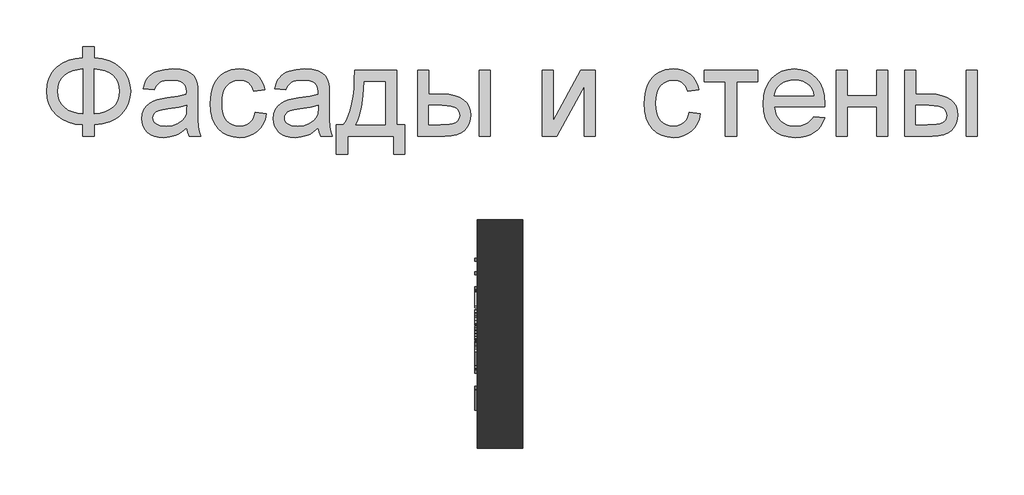
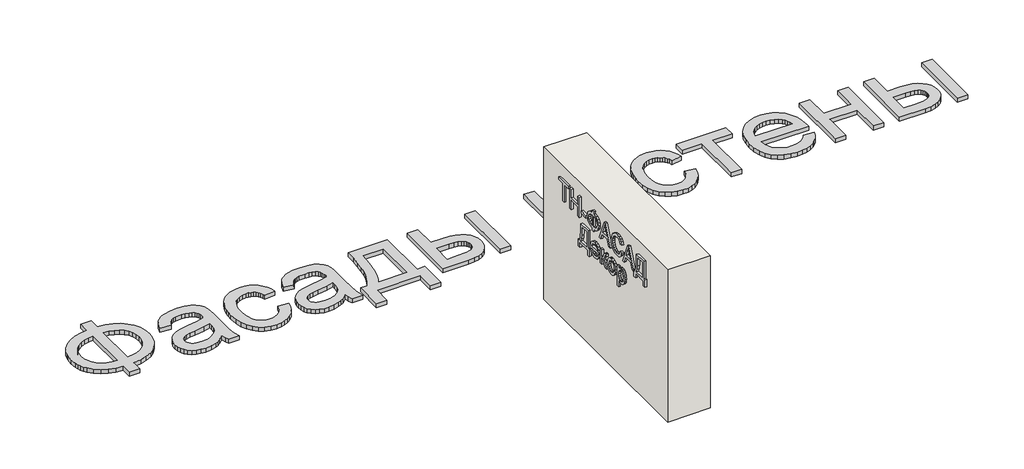
# One storey: 2 proxies, 1 wall.
"""IFC4 building model written with IfcOpenShell, lengths in millimetres."""

from ifc_helpers import new_model, si_unit, frame, origin, origin_with_axes, place, context, project, spatial, polyline, outline, extrude, element, save

model = new_model("IFC4")

# Units and contexts
model_context = context("Model", 3, world=origin())
ifc_project = project(units=[si_unit("LENGTHUNIT", "METRE", prefix="MILLI")], contexts=[model_context])

# Site, building, storey
site = spatial("IfcSite", under=ifc_project)
building = spatial("IfcBuilding", under=site)
storey = spatial("IfcBuildingStorey", under=building, Elevation=0.0)

# Proxies
placement = place(None, origin())
element("IfcBuildingElementProxy", 1, Name="Generic Models", at=placement, inside=storey, context=model_context, shape_type="SweptSolid", body=[
    extrude(outline(polyline([(-1939.8736325, -20885.7211043), (-1939.8736325, -20787.7817103), (-1841.9342386, -20787.7817103), (-1841.9342386, -20885.7211043), (-1772.0723186, -20894.3529698), (-1709.9695132, -20912.2144755), (-1655.6258224, -20939.3056213), (-1609.0412461, -20975.6264073), (-1571.6743546, -21019.0607113), (-1544.9837177, -21067.4924111), (-1528.9693356, -21120.9215067), (-1523.6312083, -21179.3479982), (-1528.8019587, -21236.6028514), (-1544.3142102, -21289.3863505), (-1570.1679625, -21337.6984954), (-1606.3632158, -21381.5392861), (-1628.1416397, -21401.1761824), (-1652.1109076, -21418.4817577), (-1706.6219753, -21446.0989452), (-1769.896419, -21464.3908486), (-1841.9342386, -21473.3574679), (-1841.9342386, -21571.2968619), (-1939.8736325, -21571.2968619), (-1939.8736325, -21473.3574679), (-2005.3060425, -21466.0586398), (-2065.0237272, -21449.518216), (-2119.0266865, -21423.7361966), (-2167.3149204, -21388.7125816), (-2207.0669327, -21345.8939854), (-2222.6837947, -21322.10405), (-2235.4612272, -21296.7270228), (-2245.3992303, -21269.7629041), (-2252.4978039, -21241.2116938), (-2258.1766628, -21179.3479982), (-2252.5157371, -21117.2033486), (-2245.4395801, -21088.5878775), (-2235.5329602, -21061.6103088), (-2222.7958774, -21036.2706426), (-2207.2283318, -21012.5688789), (-2188.8303234, -20990.5050176), (-2167.6018522, -20970.0790588), (-2119.4032845, -20935.3961753), (-2065.382392, -20909.775555), (-2005.5391746, -20893.217198), (-1939.8736325, -20885.7211043)]), holes=[polyline([(-1841.9342386, -20983.6604982), (-1841.9342386, -21375.418074), (-1793.3949393, -21370.2234125), (-1750.3073446, -21359.2303372), (-1712.6714545, -21342.4388481), (-1680.4872689, -21319.8489452), (-1654.7112272, -21291.9627591), (-1636.2997689, -21259.2824206), (-1625.2528939, -21221.8079296), (-1621.5706022, -21179.5392861), (-1625.1871387, -21137.922217), (-1636.036748, -21100.872146), (-1654.1194303, -21068.389073), (-1679.4351855, -21040.4729982), (-1711.2905951, -21017.6977852), (-1748.9922405, -21000.6372975), (-1792.5401216, -20989.2915352), (-1841.9342386, -20983.6604982)]), polyline([(-1939.8736325, -20983.6604982), (-1986.781007, -20988.5861611), (-2028.989873, -20999.3461043), (-2066.5002305, -21015.9403278), (-2099.3120795, -21038.3688316), (-2125.9668498, -21066.2012179), (-2145.0059715, -21099.0070891), (-2156.4294445, -21136.7864452), (-2160.2372689, -21179.5392861), (-2156.4772665, -21221.9035735), (-2145.1972594, -21259.4737085), (-2126.3972476, -21292.2496909), (-2100.077231, -21320.231521), (-2067.5044919, -21342.8692459), (-2029.9463124, -21359.612913), (-1987.4026926, -21370.4625224), (-1939.8736325, -21375.418074), (-1939.8736325, -20983.6604982)])]), origin_with_axes(), (0.0, 0.0, 1.0), 40.0),
    extrude(outline(polyline([(-1033.9342386, -21497.8423164), (-1080.7280359, -21537.964949), (-1104.6449985, -21552.8256261), (-1128.9086704, -21564.2192103), (-1179.5760473, -21578.7092672), (-1233.8300719, -21583.5392861), (-1277.4377305, -21580.6341014), (-1315.677373, -21571.9185475), (-1348.5489995, -21557.3926242), (-1376.0526098, -21537.0563316), (-1397.7697618, -21512.2008628), (-1413.2820132, -21484.1174111), (-1422.589364, -21452.8059764), (-1425.6918143, -21418.2665588), (-1421.0052613, -21377.6657066), (-1406.9456022, -21340.7949679), (-1385.2583389, -21309.2324679), (-1357.6889734, -21284.5563316), (-1325.2895889, -21265.9057634), (-1289.1122689, -21252.4199679), (-1204.3717386, -21237.6908013), (-1104.232534, -21222.1964831), (-1034.5081022, -21204.0241346), (-1033.9342386, -21182.2173164), (-1035.619963, -21158.4737085), (-1040.6771363, -21138.5080361), (-1049.1057585, -21122.3202994), (-1060.9058295, -21109.9104982), (-1081.3018996, -21097.5246081), (-1106.1454128, -21088.6775437), (-1135.4363693, -21083.369305), (-1169.1747689, -21081.5998922), (-1227.5175719, -21086.3103562), (-1250.0895416, -21092.1984362), (-1268.2618901, -21100.4417482), (-1283.1943001, -21111.6858888), (-1296.0464545, -21126.5764547), (-1306.8183532, -21145.1134457), (-1315.5099961, -21167.2968619), (-1413.4493901, -21155.0544376), (-1396.4486799, -21101.4938316), (-1384.810008, -21079.0175058), (-1371.0791249, -21059.4104982), (-1354.6642338, -21042.2782776), (-1334.9735378, -21027.2263126), (-1312.0070369, -21014.2546033), (-1285.764731, -21003.3631497), (-1225.5807821, -20988.5861611), (-1156.5497689, -20983.6604982), (-1090.3402518, -20988.0122975), (-1037.8556401, -21001.0676952), (-998.2829602, -21020.6986138), (-970.8092386, -21044.7769755), (-952.5890681, -21074.5461516), (-940.7770416, -21111.2495134), (-937.1903939, -21145.1074679), (-935.9948446, -21196.9464831), (-935.9948446, -21318.7968619), (-934.7514734, -21424.9377236), (-931.0213598, -21488.94743), (-923.6567764, -21531.0068524), (-911.5099961, -21571.2968619), (-1009.4493901, -21571.2968619), (-1025.1349961, -21537.2476194), (-1033.9342386, -21497.8423164)]), holes=[polyline([(-1033.9342386, -21301.9635285), (-1099.7372689, -21318.2708202), (-1191.9380264, -21331.9957255), (-1242.7488693, -21339.5037747), (-1276.2003371, -21347.8726194), (-1298.1267102, -21358.7282066), (-1314.3622689, -21373.6964831), (-1324.4048825, -21391.6297217), (-1327.7524204, -21411.3801952), (-1325.9292078, -21426.599537), (-1320.45957, -21440.5037747), (-1311.343507, -21453.0929083), (-1298.5810189, -21464.3669376), (-1282.2916604, -21473.6563552), (-1262.5949867, -21480.2916535), (-1212.9796931, -21485.5998922), (-1160.3755264, -21479.7417009), (-1136.3688977, -21472.4189618), (-1113.8925719, -21462.167127), (-1076.2088598, -21436.2715304), (-1050.0024204, -21405.450271), (-1038.3816818, -21373.6964831), (-1034.5081022, -21329.700271), (-1033.9342386, -21301.9635285)])]), origin_with_axes(), (0.0, 0.0, 1.0), 40.0),
    extrude(outline(polyline([(-434.0554507, -21363.1756497), (-336.1160568, -21375.418074), (-346.7684005, -21421.6320299), (-363.4224014, -21462.5257918), (-386.0780596, -21498.0993595), (-414.7353749, -21528.3527331), (-448.1868427, -21552.49685), (-485.2249583, -21569.7426478), (-525.8497215, -21580.0901265), (-570.0611325, -21583.5392861), (-624.9906425, -21578.7272004), (-674.2412935, -21564.2909433), (-717.8130856, -21540.2305148), (-755.7060189, -21506.5459149), (-786.3778347, -21463.8707847), (-808.2862746, -21412.8387653), (-821.4313385, -21353.4498567), (-825.8130264, -21285.7040588), (-823.9419919, -21240.6736966), (-818.3288882, -21198.5485191), (-808.9737154, -21159.3285262), (-795.8764734, -21123.0137179), (-778.9474961, -21090.3333794), (-758.0971174, -21062.0167956), (-733.3253371, -21038.0639665), (-704.6321552, -21018.4748922), (-673.3147428, -21003.2435948), (-640.6702708, -20992.3640967), (-606.698739, -20985.8363978), (-571.4001477, -20983.6604982), (-527.9479104, -20986.6493713), (-488.6442291, -20995.6159906), (-453.4891036, -21010.5603562), (-422.482534, -21031.4824679), (-396.150562, -21057.9041062), (-375.0192291, -21089.3470513), (-359.0885354, -21125.8113031), (-348.358481, -21167.2968619), (-446.2978749, -21179.5392861), (-453.9434123, -21156.6624513), (-464.0637367, -21136.8103562), (-476.6588479, -21119.9830006), (-491.7287461, -21106.1803846), (-508.8908555, -21095.4264192), (-527.7626003, -21087.7450153), (-548.3439805, -21083.1361729), (-570.6349961, -21081.5998922), (-603.9131093, -21084.6246317), (-633.927373, -21093.6988505), (-660.6777873, -21108.8225484), (-684.1643522, -21129.9957255), (-703.2871623, -21157.7085569), (-716.9463124, -21192.4512179), (-725.1418025, -21234.2237085), (-727.8736325, -21283.0260285), (-725.20158, -21332.5636114), (-717.1854223, -21374.8202994), (-703.8251595, -21409.7960924), (-685.1207916, -21437.4909906), (-662.1004909, -21458.5386351), (-635.7924299, -21473.5726668), (-606.1966084, -21482.5930858), (-573.3130264, -21485.5998922), (-546.8136775, -21483.7228799), (-522.5978276, -21478.0918429), (-500.6654767, -21468.7067814), (-481.0166249, -21455.5676952), (-464.2012248, -21438.5311185), (-450.7692291, -21417.4535853), (-440.7206377, -21392.3350958), (-434.0554507, -21363.1756497)])), origin_with_axes(), (0.0, 0.0, 1.0), 40.0),
    extrude(outline(polyline([(116.8536402, -21497.8423164), (70.0598429, -21537.964949), (46.1428803, -21552.8256261), (21.8792084, -21564.2192103), (-28.7881685, -21578.7092672), (-83.0421931, -21583.5392861), (-126.6498517, -21580.6341014), (-164.8894943, -21571.9185475), (-197.7611207, -21557.3926242), (-225.264731, -21537.0563316), (-246.981883, -21512.2008628), (-262.4941344, -21484.1174111), (-271.8014853, -21452.8059764), (-274.9039355, -21418.2665588), (-270.2173825, -21377.6657066), (-256.1577234, -21340.7949679), (-234.4704602, -21309.2324679), (-206.9010946, -21284.5563316), (-174.5017102, -21265.9057634), (-138.3243901, -21252.4199679), (-53.5838598, -21237.6908013), (46.5553448, -21222.1964831), (116.2797766, -21204.0241346), (116.8536402, -21182.2173164), (115.1679158, -21158.4737085), (110.1107425, -21138.5080361), (101.6821203, -21122.3202994), (89.8820493, -21109.9104982), (69.4859792, -21097.5246081), (44.642466, -21088.6775437), (15.3515095, -21083.369305), (-18.3868901, -21081.5998922), (-76.7296931, -21086.3103562), (-99.3016628, -21092.1984362), (-117.4740113, -21100.4417482), (-132.4064213, -21111.6858888), (-145.2585757, -21126.5764547), (-156.0304744, -21145.1134457), (-164.7221174, -21167.2968619), (-262.6615113, -21155.0544376), (-245.6608011, -21101.4938316), (-234.0221292, -21079.0175058), (-220.2912461, -21059.4104982), (-203.876355, -21042.2782776), (-184.185659, -21027.2263126), (-161.2191581, -21014.2546033), (-134.9768522, -21003.3631497), (-74.7929033, -20988.5861611), (-5.7618901, -20983.6604982), (60.447627, -20988.0122975), (112.9322387, -21001.0676952), (152.5049186, -21020.6986138), (179.9786402, -21044.7769755), (198.1988107, -21074.5461516), (210.0108372, -21111.2495134), (213.5974849, -21145.1074679), (214.7930342, -21196.9464831), (214.7930342, -21318.7968619), (216.0364054, -21424.9377236), (219.766519, -21488.94743), (227.1311023, -21531.0068524), (239.2778826, -21571.2968619), (141.3384887, -21571.2968619), (125.6528826, -21537.2476194), (116.8536402, -21497.8423164)]), holes=[polyline([(116.8536402, -21301.9635285), (51.0506099, -21318.2708202), (-41.1501477, -21331.9957255), (-91.9609905, -21339.5037747), (-125.4124583, -21347.8726194), (-147.3388314, -21358.7282066), (-163.5743901, -21373.6964831), (-173.6170037, -21391.6297217), (-176.9645416, -21411.3801952), (-175.141329, -21426.599537), (-169.6716912, -21440.5037747), (-160.5556282, -21453.0929083), (-147.7931401, -21464.3669376), (-131.5037817, -21473.6563552), (-111.8071079, -21480.2916535), (-62.1918143, -21485.5998922), (-9.5876477, -21479.7417009), (14.4189811, -21472.4189618), (36.8953069, -21462.167127), (74.579019, -21436.2715304), (100.7854584, -21405.450271), (112.406197, -21373.6964831), (116.2797766, -21329.700271), (116.8536402, -21301.9635285)])]), origin_with_axes(), (0.0, 0.0, 1.0), 40.0),
    extrude(outline(polyline([(435.1566705, -20995.9029225), (802.4293978, -20995.9029225), (802.4293978, -21473.3574679), (875.8839432, -21473.3574679), (875.8839432, -21730.448377), (777.9445493, -21730.448377), (777.9445493, -21571.2968619), (373.9445493, -21571.2968619), (373.9445493, -21730.448377), (276.0051554, -21730.448377), (276.0051554, -21473.3574679), (337.2172766, -21473.3574679), (361.1342392, -21436.3970631), (381.7156194, -21392.9448259), (398.9614172, -21343.0007563), (412.8716326, -21286.5648543), (423.4462657, -21223.6371199), (430.6853164, -21154.2175531), (434.5887846, -21078.306154), (435.1566705, -20995.9029225)]), holes=[polyline([(520.8536402, -21093.8423164), (512.8195493, -21213.7559054), (497.8990948, -21316.979627), (476.0922766, -21403.5134812), (462.6064811, -21440.521708), (447.3990948, -21473.3574679), (704.4900039, -21473.3574679), (704.4900039, -21093.8423164), (520.8536402, -21093.8423164)])]), origin_with_axes(), (0.0, 0.0, 1.0), 40.0),
    extrude(outline(polyline([(986.0657614, -20995.9029225), (1084.0051554, -20995.9029225), (1084.0051554, -21204.0241346), (1205.0903826, -21204.0241346), (1260.8089551, -21207.0907184), (1309.7487633, -21216.2904698), (1351.9098074, -21231.6233888), (1387.2920872, -21253.0894755), (1415.2858727, -21279.9474892), (1435.2814338, -21311.4561895), (1447.2787704, -21347.6155763), (1451.2778826, -21388.4256497), (1447.924367, -21424.8361019), (1437.8638201, -21458.5087463), (1421.096242, -21489.443583), (1397.6216326, -21517.6406119), (1366.7824399, -21541.1152212), (1327.9211118, -21557.8827994), (1281.0376483, -21567.9433462), (1226.1320493, -21571.2968619), (986.0657614, -21571.2968619), (986.0657614, -20995.9029225)]), holes=[polyline([(1084.0051554, -21473.3574679), (1184.6225796, -21473.3574679), (1262.6202122, -21468.2166062), (1291.8274802, -21461.790529), (1314.5070493, -21452.794021), (1331.495804, -21441.0716606), (1343.6306289, -21426.4680266), (1350.9115237, -21408.983119), (1353.3384887, -21388.6169376), (1351.5391871, -21372.1542245), (1346.1412823, -21356.6240399), (1337.1447742, -21342.0263836), (1324.5496629, -21328.3612558), (1305.8094286, -21316.8122501), (1278.3775512, -21308.5629603), (1242.2540308, -21303.6133865), (1197.4388675, -21301.9635285), (1084.0051554, -21301.9635285), (1084.0051554, -21473.3574679)])]), origin_with_axes(), (0.0, 0.0, 1.0), 40.0),
    extrude(outline(polyline([(1524.7324281, -20995.9029225), (1622.671822, -20995.9029225), (1622.671822, -21571.2968619), (1524.7324281, -21571.2968619), (1524.7324281, -20995.9029225)])), origin_with_axes(), (0.0, 0.0, 1.0), 40.0),
    extrude(outline(polyline([(2075.641519, -20995.9029225), (2173.5809129, -20995.9029225), (2173.5809129, -21434.7173164), (2414.2210645, -20995.9029225), (2540.8536402, -20995.9029225), (2540.8536402, -21571.2968619), (2442.9142463, -21571.2968619), (2442.9142463, -21135.1604982), (2203.8043978, -21571.2968619), (2075.641519, -21571.2968619), (2075.641519, -20995.9029225)])), origin_with_axes(), (0.0, 0.0, 1.0), 40.0),
    extrude(outline(polyline([(3361.0960645, -21363.1756497), (3459.0354584, -21375.418074), (3448.3831147, -21421.6320299), (3431.7291137, -21462.5257918), (3409.0734556, -21498.0993595), (3380.4161402, -21528.3527331), (3346.9646724, -21552.49685), (3309.9265569, -21569.7426478), (3269.3017936, -21580.0901265), (3225.0903826, -21583.5392861), (3170.1608727, -21578.7272004), (3120.9102217, -21564.2909433), (3077.3384295, -21540.2305148), (3039.4454963, -21506.5459149), (3008.7736805, -21463.8707847), (2986.8652406, -21412.8387653), (2973.7201767, -21353.4498567), (2969.3384887, -21285.7040588), (2971.2095233, -21240.6736966), (2976.822627, -21198.5485191), (2986.1777998, -21159.3285262), (2999.2750417, -21123.0137179), (3016.204019, -21090.3333794), (3037.0543978, -21062.0167956), (3061.8261781, -21038.0639665), (3090.5193599, -21018.4748922), (3121.8367723, -21003.2435948), (3154.4812444, -20992.3640967), (3188.4527761, -20985.8363978), (3223.7513675, -20983.6604982), (3267.2036047, -20986.6493713), (3306.5072861, -20995.6159906), (3341.6624115, -21010.5603562), (3372.6689811, -21031.4824679), (3399.0009532, -21057.9041062), (3420.1322861, -21089.3470513), (3436.0629797, -21125.8113031), (3446.7930342, -21167.2968619), (3348.8536402, -21179.5392861), (3341.2081028, -21156.6624513), (3331.0877785, -21136.8103562), (3318.4926672, -21119.9830006), (3303.422769, -21106.1803846), (3286.2606596, -21095.4264192), (3267.3889148, -21087.7450153), (3246.8075346, -21083.1361729), (3224.516519, -21081.5998922), (3191.2384058, -21084.6246317), (3161.2241421, -21093.6988505), (3134.4737278, -21108.8225484), (3110.9871629, -21129.9957255), (3091.8643528, -21157.7085569), (3078.2052027, -21192.4512179), (3070.0097127, -21234.2237085), (3067.2778826, -21283.0260285), (3069.9499352, -21332.5636114), (3077.9660929, -21374.8202994), (3091.3263557, -21409.7960924), (3110.0307236, -21437.4909906), (3133.0510242, -21458.5386351), (3159.3590853, -21473.5726668), (3188.9549068, -21482.5930858), (3221.8384887, -21485.5998922), (3248.3378377, -21483.7228799), (3272.5536876, -21478.0918429), (3294.4860384, -21468.7067814), (3314.1348902, -21455.5676952), (3330.9502903, -21438.5311185), (3344.3822861, -21417.4535853), (3354.4308774, -21392.3350958), (3361.0960645, -21363.1756497)])), origin_with_axes(), (0.0, 0.0, 1.0), 40.0),
    extrude(outline(polyline([(3495.7627311, -20995.9029225), (3960.9748523, -20995.9029225), (3960.9748523, -21093.8423164), (3777.3384887, -21093.8423164), (3777.3384887, -21571.2968619), (3679.3990948, -21571.2968619), (3679.3990948, -21093.8423164), (3495.7627311, -21093.8423164), (3495.7627311, -20995.9029225)])), origin_with_axes(), (0.0, 0.0, 1.0), 40.0),
    extrude(outline(polyline([(4449.5240948, -21399.9029225), (4545.5506099, -21412.1453467), (4530.827421, -21450.6061658), (4510.9514148, -21484.4999869), (4485.9225914, -21513.8268098), (4455.7409508, -21538.5866346), (4420.7173358, -21558.2534196), (4381.1625891, -21572.3011232), (4337.0767108, -21580.7297454), (4288.4597008, -21583.5392861), (4227.6899328, -21578.6913339), (4173.5435076, -21564.1474774), (4126.0204253, -21539.9077165), (4085.1206857, -21505.9720513), (4052.231126, -21463.2849656), (4028.7385834, -21412.7909433), (4014.6430578, -21354.4899845), (4009.9445493, -21288.3820891), (4014.6908798, -21220.0325389), (4028.9298713, -21159.7888126), (4052.6615237, -21107.6509102), (4085.8858372, -21063.6188316), (4126.6779773, -21028.6370607), (4173.1131099, -21003.6500816), (4225.1912349, -20988.6578941), (4282.9123523, -20983.6604982), (4338.7743907, -20988.6459386), (4389.2923239, -21003.6022596), (4434.4661521, -21028.5294613), (4474.2958751, -21063.4275437), (4506.8088367, -21107.3639783), (4530.0323807, -21159.4062369), (4543.9665072, -21219.5543192), (4548.611216, -21287.8082255), (4548.0373523, -21314.2059528), (4107.8839432, -21314.2059528), (4113.5568244, -21353.2884575), (4124.8368315, -21387.5170323), (4141.7239646, -21416.8916772), (4164.2182236, -21441.4123922), (4191.0762373, -21460.7444234), (4221.0546345, -21474.5530172), (4254.1534153, -21482.8381734), (4290.3725796, -21485.5998922), (4342.4985266, -21480.4829414), (4386.3990948, -21465.1320891), (4405.2648618, -21453.3798401), (4422.0742842, -21438.590896), (4436.8273618, -21420.7652567), (4449.5240948, -21399.9029225)]), holes=[polyline([(4107.8839432, -21216.2665588), (4450.671822, -21216.2665588), (4445.6385597, -21188.5537274), (4437.4251364, -21164.5231876), (4426.0315522, -21144.1749395), (4411.4578069, -21127.5089831), (4384.7492368, -21107.4237558), (4354.3583751, -21093.0771649), (4320.2852217, -21084.4692103), (4282.5297766, -21081.5998922), (4248.0919807, -21083.889369), (4216.5115474, -21090.7577994), (4187.7884769, -21102.2051834), (4161.922769, -21118.231521), (4140.2175725, -21138.0955716), (4123.9760361, -21161.0560948), (4113.1981596, -21187.1130906), (4107.8839432, -21216.2665588)])]), origin_with_axes(), (0.0, 0.0, 1.0), 40.0),
    extrude(outline(polyline([(4646.5506099, -20995.9029225), (4744.4900039, -20995.9029225), (4744.4900039, -21216.2665588), (5001.5809129, -21216.2665588), (5001.5809129, -20995.9029225), (5099.5203069, -20995.9029225), (5099.5203069, -21571.2968619), (5001.5809129, -21571.2968619), (5001.5809129, -21314.2059528), (4744.4900039, -21314.2059528), (4744.4900039, -21571.2968619), (4646.5506099, -21571.2968619), (4646.5506099, -20995.9029225)])), origin_with_axes(), (0.0, 0.0, 1.0), 40.0),
    extrude(outline(polyline([(5246.4293978, -20995.9029225), (5344.3687917, -20995.9029225), (5344.3687917, -21204.0241346), (5465.454019, -21204.0241346), (5521.1725914, -21207.0907184), (5570.1123997, -21216.2904698), (5612.2734437, -21231.6233888), (5647.6557236, -21253.0894755), (5675.6495091, -21279.9474892), (5695.6450701, -21311.4561895), (5707.6424068, -21347.6155763), (5711.641519, -21388.4256497), (5708.2880034, -21424.8361019), (5698.2274565, -21458.5087463), (5681.4598784, -21489.443583), (5657.985269, -21517.6406119), (5627.1460763, -21541.1152212), (5588.2847482, -21557.8827994), (5541.4012846, -21567.9433462), (5486.4956857, -21571.2968619), (5246.4293978, -21571.2968619), (5246.4293978, -20995.9029225)]), holes=[polyline([(5344.3687917, -21473.3574679), (5444.986216, -21473.3574679), (5522.9838486, -21468.2166062), (5552.1911165, -21461.790529), (5574.8706857, -21452.794021), (5591.8594404, -21441.0716606), (5603.9942652, -21426.4680266), (5611.2751601, -21408.983119), (5613.7021251, -21388.6169376), (5611.9028235, -21372.1542245), (5606.5049186, -21356.6240399), (5597.5084106, -21342.0263836), (5584.9132993, -21328.3612558), (5566.1730649, -21316.8122501), (5538.7411876, -21308.5629603), (5502.6176672, -21303.6133865), (5457.8025039, -21301.9635285), (5344.3687917, -21301.9635285), (5344.3687917, -21473.3574679)])]), origin_with_axes(), (0.0, 0.0, 1.0), 40.0),
    extrude(outline(polyline([(5785.0960645, -20995.9029225), (5883.0354584, -20995.9029225), (5883.0354584, -21571.2968619), (5785.0960645, -21571.2968619), (5785.0960645, -20995.9029225)])), origin_with_axes(), (0.0, 0.0, 1.0), 40.0),
])
element("IfcBuildingElementProxy", 2, Name="Generic Models", at=placement, inside=storey, context=model_context, shape_type="SweptSolid", body=[
    extrude(outline(polyline([(-22641.3968391, 1181.1112414), (-22666.0122237, 1181.1112414), (-22666.0122237, 1353.4189337), (-22730.6276083, 1353.4189337), (-22730.6276083, 1378.0343184), (-22576.7814545, 1378.0343184), (-22576.7814545, 1353.4189337), (-22641.3968391, 1353.4189337), (-22641.3968391, 1181.1112414)])), frame((1486.3955952, 0.0, 0.0), z_axis=(1.0, 0.0, 0.0), x_axis=(0.0, 1.0, 0.0)), (0.0, 0.0, 1.0), 20.0),
    extrude(outline(polyline([(-22758.319916, 1181.1112414), (-22782.9353006, 1181.1112414), (-22782.9353006, 1273.4189337), (-22887.5506853, 1273.4189337), (-22887.5506853, 1181.1112414), (-22912.1660699, 1181.1112414), (-22912.1660699, 1378.0343184), (-22887.5506853, 1378.0343184), (-22887.5506853, 1298.0343184), (-22782.9353006, 1298.0343184), (-22782.9353006, 1378.0343184), (-22758.319916, 1378.0343184), (-22758.319916, 1181.1112414)])), frame((1486.3955952, 0.0, 0.0), z_axis=(1.0, 0.0, 0.0), x_axis=(0.0, 1.0, 0.0)), (0.0, 0.0, 1.0), 20.0),
    extrude(outline(polyline([(1486.3955952, -23016.7814545), (1486.3955952, -22939.8583776), (1506.3955952, -22939.8583776), (1506.3955952, -23016.7814545), (1486.3955952, -23016.7814545)])), frame((0.0, 0.0, 1239.5727799), z_axis=(0.0, 0.0, 1.0), x_axis=(1.0, 0.0, 0.0)), (0.0, 0.0, 1.0), 24.6153846),
    extrude(outline(polyline([(-23118.319916, 1353.4189337), (-23086.7754449, 1347.3732607), (-23061.0843391, 1332.2170107), (-23051.124904, 1321.5379241), (-23044.0110218, 1309.212203), (-23038.319916, 1279.6208568), (-23044.0290506, 1250.1196549), (-23051.1654689, 1237.7623833), (-23061.1564545, 1227.0006645), (-23086.8655891, 1211.7182126), (-23118.319916, 1205.726626), (-23118.319916, 1181.1112414), (-23142.9353006, 1181.1112414), (-23142.9353006, 1205.726626), (-23176.9437141, 1212.5775876), (-23202.1420314, 1228.8035491), (-23217.7369833, 1251.9646068), (-23222.9353006, 1279.6208568), (-23217.5687141, 1307.7338376), (-23201.4689545, 1330.8227799), (-23176.102368, 1346.7602799), (-23142.9353006, 1353.4189337), (-23142.9353006, 1378.0343184), (-23118.319916, 1378.0343184), (-23118.319916, 1353.4189337)]), holes=[polyline([(-23118.319916, 1328.8035491), (-23118.319916, 1230.3420107), (-23095.6816949, 1234.3143664), (-23078.055493, 1244.212203), (-23066.7153487, 1259.4826357), (-23062.9353006, 1279.5727799), (-23066.7634256, 1299.8131645), (-23078.2478006, 1315.0535491), (-23095.9220795, 1324.8612414), (-23118.319916, 1328.8035491)]), polyline([(-23142.9353006, 1328.8035491), (-23166.2946756, 1324.5367222), (-23183.7766468, 1314.524703), (-23194.6840987, 1299.3444145), (-23198.319916, 1279.5727799), (-23194.617993, 1259.5307126), (-23183.5122237, 1244.3083568), (-23165.9641468, 1234.4105203), (-23142.9353006, 1230.3420107), (-23142.9353006, 1328.8035491)])]), frame((1486.3955952, 0.0, 0.0), z_axis=(1.0, 0.0, 0.0), x_axis=(0.0, 1.0, 0.0)), (0.0, 0.0, 1.0), 20.0),
    extrude(outline(polyline([(-23233.8487622, 1181.1112414), (-23259.8583776, 1181.1112414), (-23282.3583776, 1242.649703), (-23363.4641468, 1242.649703), (-23386.0122237, 1181.1112414), (-23412.0218391, 1181.1112414), (-23333.4160699, 1378.0343184), (-23312.4545314, 1378.0343184), (-23233.8487622, 1181.1112414)]), holes=[polyline([(-23291.3968391, 1267.2650876), (-23310.6756853, 1319.9093184), (-23322.9353006, 1353.4189337), (-23336.7333776, 1315.6785491), (-23354.4737622, 1267.2650876), (-23291.3968391, 1267.2650876)])]), frame((1486.3955952, 0.0, 0.0), z_axis=(1.0, 0.0, 0.0), x_axis=(0.0, 1.0, 0.0)), (0.0, 0.0, 1.0), 20.0),
    extrude(outline(polyline([(-23576.7814545, 1251.1112414), (-23568.8187141, 1230.0295107), (-23555.8920314, 1214.8612414), (-23538.7706372, 1205.7025876), (-23518.2237622, 1202.649703), (-23500.5975603, 1204.8912895), (-23484.257416, 1211.6160491), (-23470.6276083, 1222.8720587), (-23461.132416, 1238.7073953), (-23455.5615026, 1258.3708568), (-23453.7045314, 1281.1112414), (-23455.273041, 1299.680953), (-23459.9785699, 1317.6977799), (-23468.554291, 1333.6352799), (-23481.7333776, 1345.9670107), (-23499.101166, 1353.8636453), (-23520.242993, 1356.4958568), (-23538.5843391, 1354.1220587), (-23553.5122237, 1347.0006645), (-23565.1708776, 1334.6869626), (-23573.7045314, 1316.7362414), (-23598.319916, 1322.601626), (-23587.4485218, 1347.3131645), (-23570.507416, 1365.774703), (-23548.1937141, 1377.2771068), (-23521.2045314, 1381.1112414), (-23496.4689545, 1378.148501), (-23473.8968391, 1369.2602799), (-23454.8643872, 1354.6629241), (-23440.7478006, 1334.5727799), (-23432.0038103, 1309.7771068), (-23429.0891468, 1281.0631645), (-23431.6672718, 1253.8396068), (-23439.4016468, 1228.4189337), (-23452.069916, 1206.7963376), (-23469.4497237, 1190.9670107), (-23492.1240026, 1181.2674914), (-23520.6756853, 1178.0343184), (-23548.8006853, 1182.3071549), (-23572.2141468, 1195.1256645), (-23590.038666, 1216.0811934), (-23601.3968391, 1244.7650876), (-23576.7814545, 1251.1112414)])), frame((1486.3955952, 0.0, 0.0), z_axis=(1.0, 0.0, 0.0), x_axis=(0.0, 1.0, 0.0)), (0.0, 0.0, 1.0), 20.0),
    extrude(outline(polyline([(-23612.3103006, 1181.1112414), (-23638.319916, 1181.1112414), (-23660.819916, 1242.649703), (-23741.9256853, 1242.649703), (-23764.4737622, 1181.1112414), (-23790.4833776, 1181.1112414), (-23711.8776083, 1378.0343184), (-23690.9160699, 1378.0343184), (-23612.3103006, 1181.1112414)]), holes=[polyline([(-23669.8583776, 1267.2650876), (-23689.1372237, 1319.9093184), (-23701.3968391, 1353.4189337), (-23715.194916, 1315.6785491), (-23732.9353006, 1267.2650876), (-23669.8583776, 1267.2650876)])]), frame((1486.3955952, 0.0, 0.0), z_axis=(1.0, 0.0, 0.0), x_axis=(0.0, 1.0, 0.0)), (0.0, 0.0, 1.0), 20.0),
    extrude(outline(polyline([(-23835.242993, 1378.0343184), (-23835.242993, 1349.524703), (-23833.7045314, 1299.9543905), (-23829.0891468, 1259.4646068), (-23821.3968391, 1228.055352), (-23810.6276083, 1205.726626), (-23795.242993, 1205.726626), (-23795.242993, 1134.9573953), (-23819.8583776, 1134.9573953), (-23819.8583776, 1181.1112414), (-23946.0122237, 1181.1112414), (-23946.0122237, 1134.9573953), (-23970.6276083, 1134.9573953), (-23970.6276083, 1205.726626), (-23952.1660699, 1205.726626), (-23952.1660699, 1378.0343184), (-23835.242993, 1378.0343184)]), holes=[polyline([(-23927.5506853, 1353.4189337), (-23927.5506853, 1205.726626), (-23835.242993, 1205.726626), (-23847.4545314, 1237.0847991), (-23854.8583776, 1276.0631645), (-23859.8583776, 1343.5150876), (-23859.8583776, 1353.4189337), (-23927.5506853, 1353.4189337)])]), frame((1486.3955952, 0.0, 0.0), z_axis=(1.0, 0.0, 0.0), x_axis=(0.0, 1.0, 0.0)), (0.0, 0.0, 1.0), 20.0),
    extrude(outline(polyline([(-22936.7814545, 1134.9573953), (-22936.7814545, 1106.4477799), (-22935.242993, 1056.8774674), (-22930.6276083, 1016.3876837), (-22922.9353006, 984.9784289), (-22912.1660699, 962.649703), (-22896.7814545, 962.649703), (-22896.7814545, 891.8804722), (-22921.3968391, 891.8804722), (-22921.3968391, 938.0343184), (-23047.5506853, 938.0343184), (-23047.5506853, 891.8804722), (-23072.1660699, 891.8804722), (-23072.1660699, 962.649703), (-23053.7045314, 962.649703), (-23053.7045314, 1134.9573953), (-22936.7814545, 1134.9573953)]), holes=[polyline([(-23029.0891468, 1110.3420107), (-23029.0891468, 962.649703), (-22936.7814545, 962.649703), (-22948.992993, 994.007876), (-22956.3968391, 1032.9862414), (-22961.3968391, 1100.4381645), (-22961.3968391, 1110.3420107), (-23029.0891468, 1110.3420107)])]), frame((1486.3955952, 0.0, 0.0), z_axis=(1.0, 0.0, 0.0), x_axis=(0.0, 1.0, 0.0)), (0.0, 0.0, 1.0), 20.0),
    extrude(outline(polyline([(-23201.1083776, 981.1112414), (-23194.2093391, 971.3876837), (-23185.242993, 964.7170107), (-23161.1083776, 959.5727799), (-23143.6865026, 962.3492222), (-23129.4016468, 970.6785491), (-23119.5038103, 984.2242222), (-23115.242993, 1002.649703), (-23225.867993, 1002.649703), (-23226.0122237, 1009.2843184), (-23221.3427526, 1041.555953), (-23207.3343391, 1065.6785491), (-23185.9701564, 1080.7146068), (-23159.2333776, 1085.726626), (-23131.6372237, 1080.7025876), (-23109.7141468, 1065.6304722), (-23095.399243, 1041.4597991), (-23090.6276083, 1009.1400876), (-23095.351166, 977.8720587), (-23109.5218391, 954.4525876), (-23131.7453968, 939.8311934), (-23160.6276083, 934.9573953), (-23183.9268872, 937.7819145), (-23202.6708776, 946.2554722), (-23216.5470795, 959.8492222), (-23225.242993, 978.0343184), (-23201.1083776, 981.1112414)]), holes=[polyline([(-23115.242993, 1027.2650876), (-23119.2874641, 1041.1412895), (-23128.8247237, 1051.9045107), (-23142.5446756, 1058.8095587), (-23159.1372237, 1061.1112414), (-23177.1901083, 1058.226626), (-23191.5410699, 1049.5727799), (-23198.0675122, 1040.2698953), (-23201.3968391, 1027.2650876), (-23115.242993, 1027.2650876)])]), frame((1486.3955952, 0.0, 0.0), z_axis=(1.0, 0.0, 0.0), x_axis=(0.0, 1.0, 0.0)), (0.0, 0.0, 1.0), 20.0),
    extrude(outline(polyline([(-23250.6276083, 1082.649703), (-23250.6276083, 938.0343184), (-23275.242993, 938.0343184), (-23275.242993, 1005.726626), (-23288.4641468, 1001.1833568), (-23301.444916, 982.4093184), (-23327.2622237, 938.0343184), (-23355.242993, 938.0343184), (-23328.8968391, 983.3708568), (-23313.6564545, 1003.5511453), (-23298.1276083, 1013.1304722), (-23312.0458776, 1021.712203), (-23321.9737622, 1039.2362414), (-23330.4353006, 1055.4381645), (-23342.4545314, 1058.0343184), (-23349.0891468, 1057.8900876), (-23349.0891468, 1082.649703), (-23344.3776083, 1082.649703), (-23326.3728006, 1080.774703), (-23316.4689545, 1073.539126), (-23305.242993, 1051.3035491), (-23291.7333776, 1025.5343184), (-23275.242993, 1021.1112414), (-23275.242993, 1082.649703), (-23250.6276083, 1082.649703)])), frame((1486.3955952, 0.0, 0.0), z_axis=(1.0, 0.0, 0.0), x_axis=(0.0, 1.0, 0.0)), (0.0, 0.0, 1.0), 20.0),
    extrude(outline(polyline([(-23364.4737622, 1010.3420107), (-23368.9389064, 978.0823953), (-23382.3343391, 954.3804722), (-23402.9653487, 939.8131645), (-23429.1372237, 934.9573953), (-23446.5110218, 937.1629241), (-23462.4785699, 943.7795107), (-23475.9220795, 954.3864818), (-23485.7237622, 968.5631645), (-23491.7093391, 987.493453), (-23493.7045314, 1012.3612414), (-23489.1913103, 1043.0162895), (-23475.6516468, 1066.2314337), (-23454.9965987, 1080.852828), (-23429.1372237, 1085.726626), (-23405.507416, 1081.7242222), (-23385.7718391, 1069.7170107), (-23376.4539305, 1058.758477), (-23369.7982814, 1045.2097991), (-23364.4737622, 1010.3420107)]), holes=[polyline([(-23389.0891468, 1010.3900876), (-23391.9377045, 1032.6557126), (-23400.4833776, 1048.4910491), (-23413.3439545, 1057.9561934), (-23429.1372237, 1061.1112414), (-23444.7682333, 1057.9441741), (-23457.6228006, 1048.4429722), (-23466.2225603, 1032.7879241), (-23469.0891468, 1011.1593184), (-23466.2405891, 988.3948953), (-23457.694916, 972.3131645), (-23444.8583776, 962.757876), (-23429.1372237, 959.5727799), (-23413.3439545, 962.7398472), (-23400.4833776, 972.2410491), (-23391.9377045, 988.1124434), (-23389.0891468, 1010.3900876)])]), frame((1486.3955952, 0.0, 0.0), z_axis=(1.0, 0.0, 0.0), x_axis=(0.0, 1.0, 0.0)), (0.0, 0.0, 1.0), 20.0),
    extrude(outline(polyline([(-23521.3968391, 882.649703), (-23546.0122237, 882.649703), (-23546.0122237, 957.2650876), (-23561.6131853, 941.2795107), (-23571.7153487, 936.5379241), (-23583.0314545, 934.9573953), (-23598.9869833, 937.3191741), (-23614.1612622, 944.4045107), (-23627.1901083, 955.9189337), (-23636.7093391, 971.5679722), (-23642.5326564, 990.3960972), (-23644.4737622, 1011.4477799), (-23642.7550122, 1031.243453), (-23637.5987622, 1049.3804722), (-23629.0651083, 1064.7410491), (-23617.2141468, 1076.2073953), (-23602.6588583, 1083.3468184), (-23586.0122237, 1085.726626), (-23573.5122237, 1084.0259049), (-23563.0314545, 1078.9237414), (-23546.0122237, 1058.5150876), (-23546.0122237, 1082.649703), (-23521.3968391, 1082.649703), (-23521.3968391, 882.649703)]), holes=[polyline([(-23546.0122237, 1009.1881645), (-23548.8547718, 1031.5138857), (-23557.382416, 1047.8179722), (-23569.5999641, 1057.7879241), (-23583.5122237, 1061.1112414), (-23597.3703968, 1057.9862414), (-23609.1372237, 1048.6112414), (-23617.1780891, 1032.962203), (-23619.8583776, 1011.0150876), (-23617.1119833, 988.118453), (-23608.8728006, 972.1208568), (-23596.7874641, 962.7097991), (-23582.5026083, 959.5727799), (-23568.446118, 962.601626), (-23556.6612622, 971.6881645), (-23548.6744833, 987.1208568), (-23546.0122237, 1009.1881645)])]), frame((1486.3955952, 0.0, 0.0), z_axis=(1.0, 0.0, 0.0), x_axis=(0.0, 1.0, 0.0)), (0.0, 0.0, 1.0), 20.0),
])

# Wall
element("IfcWall", 3, at=placement, inside=storey, context=model_context, shape_type="SweptSolid", body=[
    extrude(outline(polyline([(1906.3955952, -22302.6148653), (1906.3955952, -24302.6148653), (1506.3955952, -24302.6148653), (1506.3955952, -22302.6148653), (1906.3955952, -22302.6148653)])), origin_with_axes(), (0.0, 0.0, 1.0), 1500.0),
])

save(model, "model.ifc")
